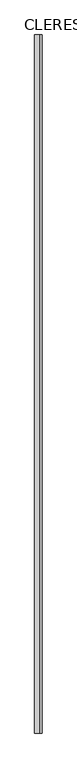
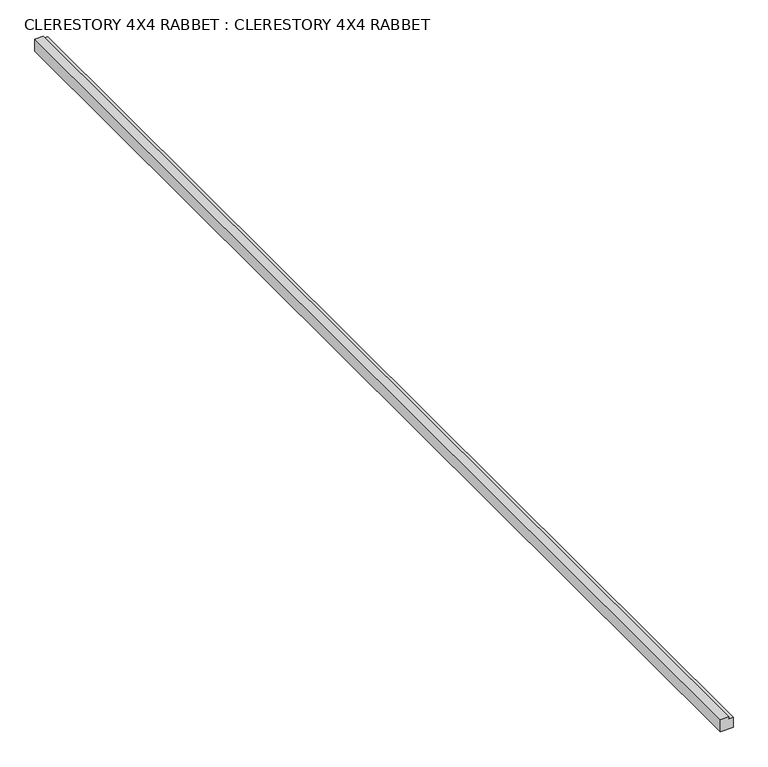
"""IFC4 building model written with IfcOpenShell, lengths in millimetres: proxy geometry, CLERESTORY 4X4 RABBET : CLERESTORY 4X4 RABBET."""

from ifc_helpers import new_model, si_unit, frame, origin, place, context, project, spatial, polyline, outline, extrude, source, transform, mapped, element, save


def clerestory_4x4_rabbet_clerestory_4x4_rabbet_55fe3c33(model_context):
    return source(origin(), model_context, "Body", "SweptSolid", [
        extrude(outline(polyline([(0.0, 57.15), (0.0, 0.0), (-88.9, 0.0), (-88.9, 88.9), (-12.7, 88.9), (-12.7, 57.15), (0.0, 57.15)])), frame((0.0, -4178.3, 0.0), z_axis=(0.0, 1.0, 0.0), x_axis=(0.0, 0.0, 1.0)), (0.0, 0.0, 1.0), 8356.6),
    ])


if __name__ == "__main__":
    model = new_model("IFC4")
    model_context = context("Model", 3, world=origin())
    ifc_project = project(units=[si_unit("LENGTHUNIT", "METRE", prefix="MILLI")], contexts=[model_context])
    site = spatial("IfcSite", under=ifc_project)
    building = spatial("IfcBuilding", under=site)
    placement = place(None, origin())
    clerestory_4x4_rabbet_clerestory_4x4_rabbet_shape = clerestory_4x4_rabbet_clerestory_4x4_rabbet_55fe3c33(model_context)
    element("IfcBuildingElementProxy", 1, Name="CLERESTORY 4X4 RABBET : CLERESTORY 4X4 RABBET", ObjectType="CLERESTORY 4X4 RABBET : CLERESTORY 4X4 RABBET", at=placement, inside=building, context=model_context, shape_type="MappedRepresentation", body=[
        mapped(clerestory_4x4_rabbet_clerestory_4x4_rabbet_shape, transform((0.0, 0.0, 0.0), x_axis=(1.0, 0.0, 0.0), y_axis=(0.0, 1.0, 0.0), z_axis=(0.0, 0.0, 1.0))),
    ])
    save(model, "model.ifc")
